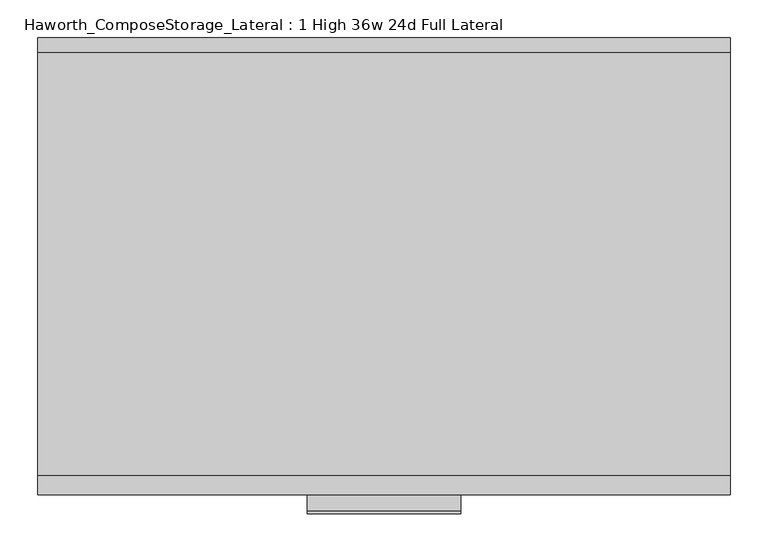
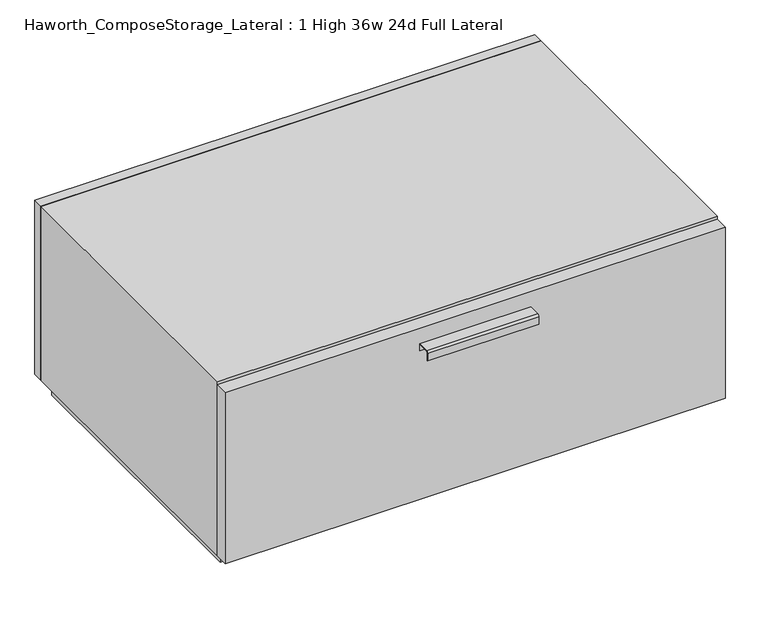
"""IFC4 building model written with IfcOpenShell, lengths in millimetres: furniture geometry, Haworth_ComposeStorage_Lateral : 1 High 36w 24d Full Lateral."""

import ifcopenshell
import ifcopenshell.guid

model = None  # the IFC model being written
_history = None  # IfcOwnerHistory: only IFC2X3 demands one
_inside = {}  # id of a spatial element -> (the spatial element, [elements in it])
_under = {}  # id of a project, library or spatial element -> (it, [spatial elements below it])
_declared = {}  # id of a project -> (the project, [libraries it declares])
_typed = {}  # id of a type object -> (the type object, [elements of that type])
_made_of = {}  # id of a material, layer set ... -> (it, [elements and type objects made of it])


def new_model(schema):
    """Start an empty IFC model of exactly this schema.

    Asked for "IFC4X3", IfcOpenShell would pick the latest addendum, in which some entities
    have other attributes; the version numbers below select the first issue.
    IFC2X3 requires an IfcOwnerHistory on every rooted entity: one is made here for all.
    """
    global model, _history
    if schema == "IFC4X3":
        model = ifcopenshell.file(schema_version=(4, 3, 0, 0))
    else:
        model = ifcopenshell.file(schema=schema)
    _inside.clear()
    _under.clear()
    _declared.clear()
    _typed.clear()
    _made_of.clear()
    _history = None
    if model.schema == "IFC2X3":
        org = make("IfcOrganization", Name="unknown")
        user = make(
            "IfcPersonAndOrganization",
            ThePerson=make("IfcPerson", FamilyName="unknown"),
            TheOrganization=org,
        )
        app = make(
            "IfcApplication",
            ApplicationDeveloper=org,
            Version="unknown",
            ApplicationFullName="unknown",
            ApplicationIdentifier="unknown",
        )
        _history = make(
            "IfcOwnerHistory",
            OwningUser=user,
            OwningApplication=app,
            ChangeAction="ADDED",
            CreationDate=0,
        )
    return model


def make(cls, **values):
    """One entity of the class cls with the attributes given. An attribute that is None is left unset."""
    return model.create_entity(
        cls, **{name: value for name, value in values.items() if value is not None}
    )


def rooted(cls, **values):
    """An entity with a GlobalId (a new one), such as an element, a storey or a relation."""
    return make(cls, GlobalId=ifcopenshell.guid.new(), OwnerHistory=_history, **values)


def si_unit(unit_type, name, prefix=None):
    """IfcSIUnit, for example si_unit("LENGTHUNIT", "METRE", prefix="MILLI")."""
    return make("IfcSIUnit", UnitType=unit_type, Prefix=prefix, Name=name)


def assignment(units):
    """IfcUnitAssignment: the units of a project."""
    return None if units is None else make("IfcUnitAssignment", Units=units)


def point(xyz):
    """IfcCartesianPoint."""
    return None if xyz is None else make("IfcCartesianPoint", Coordinates=xyz)


def direction(xyz):
    """IfcDirection."""
    return None if xyz is None else make("IfcDirection", DirectionRatios=xyz)


def frame(location, z_axis=None, x_axis=None):
    """IfcAxis2Placement3D, a coordinate frame: its origin and axes. An axis left out is left unset."""
    return make(
        "IfcAxis2Placement3D",
        Location=point(location),
        Axis=direction(z_axis),
        RefDirection=direction(x_axis),
    )


def frame_2d(location, x_axis=None):
    """IfcAxis2Placement2D, a coordinate frame in the plane: its origin and x axis."""
    return make(
        "IfcAxis2Placement2D", Location=point(location), RefDirection=direction(x_axis)
    )


def origin():
    """The frame at (0, 0, 0) with its axes left unset."""
    return frame((0.0, 0.0, 0.0))


def origin_with_axes():
    """The frame at (0, 0, 0) with the z axis (0, 0, 1) and the x axis (1, 0, 0) written out."""
    return frame((0.0, 0.0, 0.0), z_axis=(0.0, 0.0, 1.0), x_axis=(1.0, 0.0, 0.0))


def place(relative_to, where):
    """IfcLocalPlacement: puts the frame where relative to a parent placement (None: the world)."""
    return make(
        "IfcLocalPlacement", PlacementRelTo=relative_to, RelativePlacement=where
    )


def context(
    kind, dimensions, precision=None, world=None, true_north=None, identifier=None
):
    """IfcGeometricRepresentationContext, for example the 3D "Model" context."""
    return make(
        "IfcGeometricRepresentationContext",
        ContextIdentifier=identifier,
        ContextType=kind,
        CoordinateSpaceDimension=dimensions,
        Precision=precision,
        WorldCoordinateSystem=world,
        TrueNorth=true_north,
    )


def project(units=None, contexts=None):
    """IfcProject with its units and contexts."""
    return rooted(
        "IfcProject",
        Name="project",
        RepresentationContexts=contexts,
        UnitsInContext=assignment(units),
    )


def spatial(cls, under=None, at=None, **own):
    """A site, building, storey or space (cls), placed at a placement, below another one or the project."""
    s = rooted(cls, ObjectPlacement=at, **own)
    if under is not None:
        _under.setdefault(under.id(), (under, []))[1].append(s)
    return s


def polyline(points):
    """IfcPolyline through the points."""
    return make("IfcPolyline", Points=[point(p) for p in points])


def circle_curve(where, radius):
    """IfcCircle in the frame where."""
    return make("IfcCircle", Position=where, Radius=radius)


def trimmed(basis, trim1, trim2, sense, master):
    """IfcTrimmedCurve: the piece of a basis curve between two trims."""
    return make(
        "IfcTrimmedCurve",
        BasisCurve=basis,
        Trim1=trim1,
        Trim2=trim2,
        SenseAgreement=sense,
        MasterRepresentation=master,
    )


def segment(curve, same_sense, transition):
    """IfcCompositeCurveSegment."""
    return make(
        "IfcCompositeCurveSegment",
        Transition=transition,
        SameSense=same_sense,
        ParentCurve=curve,
    )


def composite_curve(segments, self_intersect=None):
    """IfcCompositeCurve: segments joined end to end."""
    return make("IfcCompositeCurve", Segments=segments, SelfIntersect=self_intersect)


def outline(outer, holes=None, kind="AREA"):
    """IfcArbitraryClosedProfileDef: a profile drawn as a closed curve; with holes, ...WithVoids."""
    if holes is None:
        return make("IfcArbitraryClosedProfileDef", ProfileType=kind, OuterCurve=outer)
    return make(
        "IfcArbitraryProfileDefWithVoids",
        ProfileType=kind,
        OuterCurve=outer,
        InnerCurves=holes,
    )


def extrude(swept, where, along, depth):
    """IfcExtrudedAreaSolid: the profile swept, set in the frame where, extruded along a direction by depth."""
    return make(
        "IfcExtrudedAreaSolid",
        SweptArea=swept,
        Position=where,
        ExtrudedDirection=direction(along),
        Depth=depth,
    )


def shape(context_of_items, identifier, shape_type, items):
    """IfcShapeRepresentation: the items that make up one representation, for example the "Body"."""
    return make(
        "IfcShapeRepresentation",
        ContextOfItems=context_of_items,
        RepresentationIdentifier=identifier,
        RepresentationType=shape_type,
        Items=items,
    )


def source(mapping_origin, context_of_items, identifier, shape_type, items):
    """IfcRepresentationMap: a shape defined once, which mapped items show again and again."""
    return make(
        "IfcRepresentationMap",
        MappingOrigin=mapping_origin,
        MappedRepresentation=shape(context_of_items, identifier, shape_type, items),
    )


def transform(
    local_origin,
    x_axis=None,
    y_axis=None,
    z_axis=None,
    scale=None,
    scale2=None,
    scale3=None,
    uniform=True,
):
    """IfcCartesianTransformationOperator3D, or its non-uniform kind. x_axis, y_axis, z_axis: its Axis1, 2, 3."""
    if uniform:
        return make(
            "IfcCartesianTransformationOperator3D",
            Axis1=direction(x_axis),
            Axis2=direction(y_axis),
            LocalOrigin=point(local_origin),
            Scale=scale,
            Axis3=direction(z_axis),
        )
    return make(
        "IfcCartesianTransformationOperator3DnonUniform",
        Axis1=direction(x_axis),
        Axis2=direction(y_axis),
        LocalOrigin=point(local_origin),
        Scale=scale,
        Axis3=direction(z_axis),
        Scale2=scale2,
        Scale3=scale3,
    )


def mapped(mapping_source, mapping_target):
    """IfcMappedItem: shows the shape of a source again, moved by a transform."""
    return make(
        "IfcMappedItem", MappingSource=mapping_source, MappingTarget=mapping_target
    )


def made_of(thing, what):
    """Note that an element or type object is made of a material, layer set ...; save() writes the relation."""
    if what is not None:
        _made_of.setdefault(what.id(), (what, []))[1].append(thing)
    return thing


def element(
    cls,
    number,
    at=None,
    inside=None,
    cuts=None,
    type_object=None,
    material=None,
    context=None,
    identifier="Body",
    shape_type=None,
    held_by="IfcProductDefinitionShape",
    body=None,
    shapes=None,
    **own,
):
    """One element of the class cls, such as IfcWall. Its Tag is "e" and its number.

    at: its placement. inside: the storey or other place that contains it. cuts: it is an
    opening in that element (IfcRelVoidsElement). A single representation is given by context,
    identifier, shape_type and body (its items); several are given by shapes. held_by: the class
    of the entity that holds the representations. save() writes the other relations.
    """
    e = rooted(cls, Tag="e%d" % number, ObjectPlacement=at, **own)
    if body is not None:
        shapes = [shape(context, identifier, shape_type, body)]
    if shapes is not None:
        e.Representation = make(held_by, Representations=shapes)
    if inside is not None:
        _inside.setdefault(inside.id(), (inside, []))[1].append(e)
    if cuts is not None:
        rooted(
            "IfcRelVoidsElement", RelatingBuildingElement=cuts, RelatedOpeningElement=e
        )
    if type_object is not None:
        _typed.setdefault(type_object.id(), (type_object, []))[1].append(e)
    return made_of(e, material)


def aggregate(whole, parts):
    """IfcRelAggregates: a whole, such as a stair, and the parts it consists of."""
    return rooted("IfcRelAggregates", RelatingObject=whole, RelatedObjects=parts)


def save(model, path):
    """Write the relations noted so far, then the file.

    IfcRelAggregates (storeys below a building ...), IfcRelContainedInSpatialStructure (elements
    in a storey), IfcRelDefinesByType, IfcRelAssociatesMaterial and IfcRelDeclares: one each for
    every whole, place, type object, material and project.
    """
    for whole, parts in _under.values():
        aggregate(whole, parts)
    for where, things in _inside.values():
        rooted(
            "IfcRelContainedInSpatialStructure",
            RelatedElements=things,
            RelatingStructure=where,
        )
    for kind, things in _typed.values():
        rooted("IfcRelDefinesByType", RelatedObjects=things, RelatingType=kind)
    for what, things in _made_of.values():
        rooted("IfcRelAssociatesMaterial", RelatedObjects=things, RelatingMaterial=what)
    for by, libraries in _declared.values():
        rooted("IfcRelDeclares", RelatingContext=by, RelatedDefinitions=libraries)
    model.write(path)


def haworth_composestorage_lateral_1_high_36w_24d_full_lateral_91f65c27(model_context):
    return source(origin(), model_context, "Body", "SweptSolid", [
        extrude(outline(composite_curve([segment(polyline([(-276.2250242, 326.0169215), (-254.0, 326.0169215), (-254.0, 312.5549525), (-254.7937742, 312.5549525), (-254.7937742, 325.2232199), (-276.2250242, 325.2232199)]), True, "CONTINUOUS"), segment(trimmed(circle_curve(frame_2d((-276.2250242, 322.8392808)), 2.3839392), [point((-276.2250242, 325.2232199))], [point((-278.6089634, 322.8392808))], True, "CARTESIAN"), True, "CONTINUOUS"), segment(polyline([(-278.6089634, 322.8392808), (-278.6089634, 308.2369021), (-279.3999758, 308.2369021), (-279.3999758, 322.8419699)]), True, "CONTINUOUS"), segment(trimmed(circle_curve(frame_2d((-276.2250242, 322.8419699)), 3.1749516), [point((-279.3999758, 322.8419699))], [point((-276.2250242, 326.0169215))], False, "CARTESIAN"), True, "CONTINUOUS")], self_intersect=False)), frame((-101.5861094, 0.0, 0.0), z_axis=(1.0, 0.0, 0.0), x_axis=(0.0, 1.0, 0.0)), (0.0, 0.0, 1.0), 203.2),
        extrude(outline(polyline([(457.2138906, -228.6), (457.2138906, -254.0), (-457.1861094, -254.0), (-457.1861094, -228.6), (457.2138906, -228.6)])), frame((0.0, 0.0, 25.4), z_axis=(0.0, 0.0, 1.0), x_axis=(1.0, 0.0, 0.0)), (0.0, 0.0, 1.0), 330.2),
        extrude(outline(polyline([(457.2138906, 330.2), (-457.1861094, 330.2), (-457.1861094, 349.25), (457.2138906, 349.25), (457.2138906, 330.2)])), frame((0.0, 0.0, 25.4), z_axis=(0.0, 0.0, 1.0), x_axis=(1.0, 0.0, 0.0)), (0.0, 0.0, 1.0), 336.55),
        extrude(outline(polyline([(25.4, -457.1861094), (25.4, 457.2), (361.95, 457.2), (361.95, -457.1861094), (25.4, -457.1861094)]), holes=[polyline([(44.45, -438.1361094), (342.9, -438.1361094), (342.9, 438.1361094), (44.45, 438.1361094), (44.45, -438.1361094)])]), frame((0.0, -228.6, 0.0), z_axis=(0.0, 1.0, 0.0), x_axis=(0.0, 0.0, 1.0)), (0.0, 0.0, 1.0), 558.8),
        extrude(outline(polyline([(-438.1291641, 295.275), (-438.1291641, 304.8), (438.1569453, 304.8), (438.1569453, 295.275), (-438.1291641, 295.275)])), frame((0.0, 0.0, 44.45), z_axis=(0.0, 0.0, 1.0), x_axis=(1.0, 0.0, 0.0)), (0.0, 0.0, 1.0), 298.45),
        extrude(outline(polyline([(444.5138906, -215.9), (-444.4861094, -215.9), (-444.4861094, 317.5), (444.5138906, 317.5), (444.5138906, -215.9)])), origin_with_axes(), (0.0, 0.0, 1.0), 25.4),
    ])


if __name__ == "__main__":
    model = new_model("IFC4")
    model_context = context("Model", 3, world=origin())
    ifc_project = project(units=[si_unit("LENGTHUNIT", "METRE", prefix="MILLI")], contexts=[model_context])
    site = spatial("IfcSite", under=ifc_project)
    building = spatial("IfcBuilding", under=site)
    placement = place(None, origin())
    haworth_composestorage_lateral_1_high_36w_24d_full_lateral_shape = haworth_composestorage_lateral_1_high_36w_24d_full_lateral_91f65c27(model_context)
    element("IfcFurniture", 1, ObjectType="Haworth_ComposeStorage_Lateral : 1 High 36w 24d Full Lateral", at=placement, inside=building, context=model_context, shape_type="MappedRepresentation", body=[
        mapped(haworth_composestorage_lateral_1_high_36w_24d_full_lateral_shape, transform((0.0, 0.0, 0.0), x_axis=(1.0, 0.0, 0.0), y_axis=(0.0, 1.0, 0.0), z_axis=(0.0, 0.0, 1.0))),
    ])
    save(model, "model.ifc")
